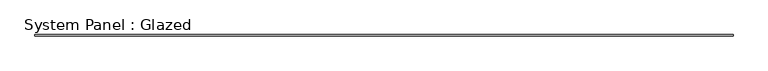
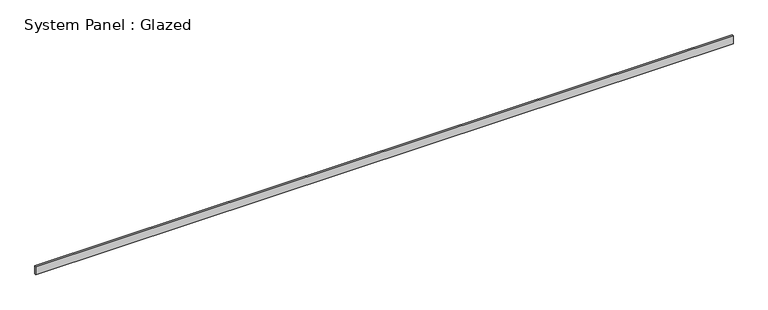
"""IFC4 building model written with IfcOpenShell, lengths in millimetres: plate geometry, System Panel : Glazed."""

from ifc_helpers import new_model, si_unit, origin, origin_with_axes, place, context, project, spatial, polyline, outline, extrude, source, transform, mapped, element, save


def system_panel_glazed_6a2d2d14(model_context):
    return source(origin(), model_context, "Body", "SweptSolid", [
        extrude(outline(polyline([(6152.8214727, 24.5), (-6152.8214727, 24.5), (-6152.8214727, 49.5), (6152.8214727, 49.5), (6152.8214727, 24.5)])), origin_with_axes(), (0.0, 0.0, 1.0), 150.0),
    ])


if __name__ == "__main__":
    model = new_model("IFC4")
    model_context = context("Model", 3, world=origin())
    ifc_project = project(units=[si_unit("LENGTHUNIT", "METRE", prefix="MILLI")], contexts=[model_context])
    site = spatial("IfcSite", under=ifc_project)
    building = spatial("IfcBuilding", under=site)
    placement = place(None, origin())
    system_panel_glazed_shape = system_panel_glazed_6a2d2d14(model_context)
    element("IfcPlate", 1, ObjectType="System Panel : Glazed", at=placement, inside=building, context=model_context, shape_type="MappedRepresentation", body=[
        mapped(system_panel_glazed_shape, transform((0.0, 0.0, 0.0), x_axis=(1.0, 0.0, 0.0), y_axis=(0.0, 1.0, 0.0), z_axis=(0.0, 0.0, 1.0))),
    ])
    save(model, "model.ifc")
